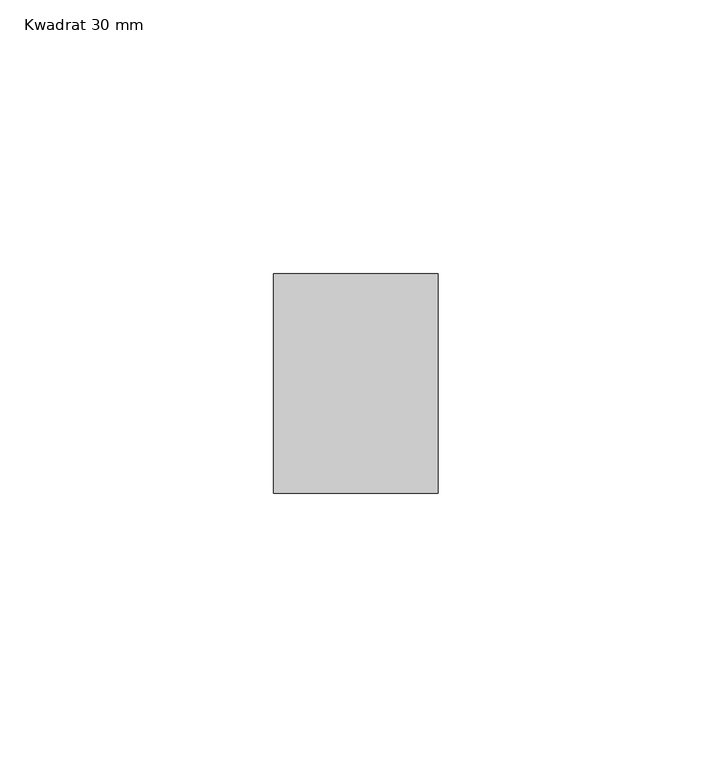
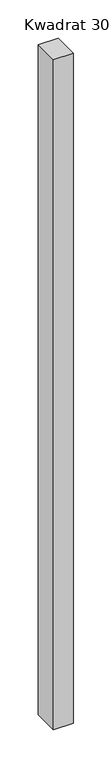
"""IFC4 building model written with IfcOpenShell, lengths in millimetres: member geometry, Kwadrat 30 mm."""

from ifc_helpers import new_model, si_unit, frame, origin, place, context, project, spatial, polyline, outline, extrude, source, transform, mapped, element, save


def kwadrat_30_mm_5f95e027(model_context):
    return source(origin(), model_context, "Body", "SweptSolid", [
        extrude(outline(polyline([(0.0, 20.0), (0.0, -20.0), (-30.0, -20.0), (-30.0, 20.0), (0.0, 20.0)])), frame((0.0, 0.0, -1070.0), z_axis=(0.0, 0.0, 1.0), x_axis=(1.0, 0.0, 0.0)), (0.0, 0.0, 1.0), 1070.0),
    ])


if __name__ == "__main__":
    model = new_model("IFC4")
    model_context = context("Model", 3, world=origin())
    ifc_project = project(units=[si_unit("LENGTHUNIT", "METRE", prefix="MILLI")], contexts=[model_context])
    site = spatial("IfcSite", under=ifc_project)
    building = spatial("IfcBuilding", under=site)
    placement = place(None, origin())
    kwadrat_30_mm_shape = kwadrat_30_mm_5f95e027(model_context)
    element("IfcMember", 1, ObjectType="Kwadrat 30 mm", at=placement, inside=building, context=model_context, shape_type="MappedRepresentation", body=[
        mapped(kwadrat_30_mm_shape, transform((0.0, 0.0, 0.0), x_axis=(1.0, 0.0, 0.0), y_axis=(0.0, 1.0, 0.0), z_axis=(0.0, 0.0, 1.0))),
    ])
    save(model, "model.ifc")
